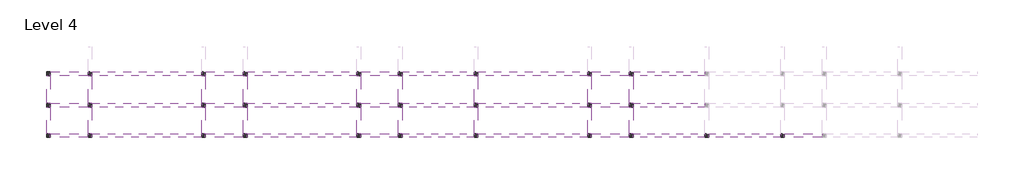
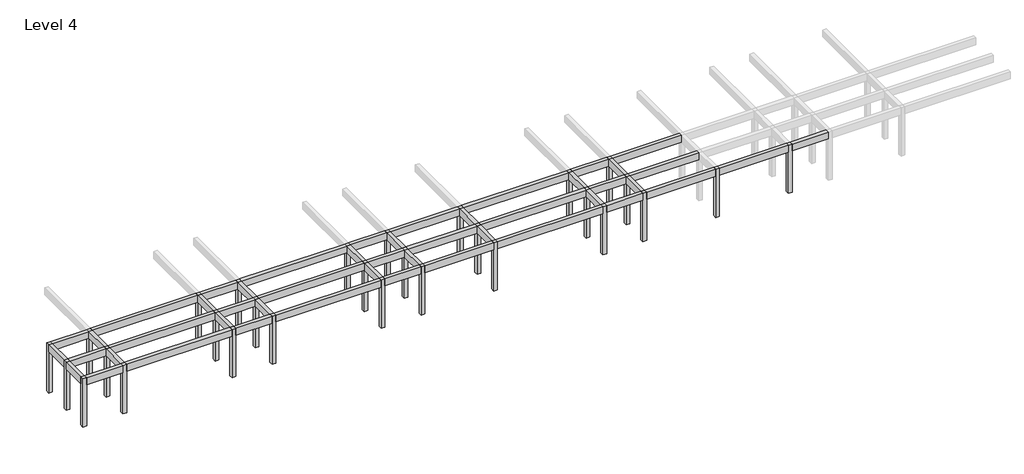
# One storey, part 1 of 3: 47 beams, 29 columns.
"""IFC4 building model written with IfcOpenShell, lengths in millimetres."""

from ifc_helpers import new_model, si_unit, frame, origin, place, context, project, spatial, polyline, outline, extrude, element, save

model = new_model("IFC4")

# Units and contexts
model_context = context("Model", 3, world=origin())
ifc_project = project(units=[si_unit("LENGTHUNIT", "METRE", prefix="MILLI")], contexts=[model_context])

# Site, building, storey
site = spatial("IfcSite", under=ifc_project)
building = spatial("IfcBuilding", under=site)
storey = spatial("IfcBuildingStorey", under=building, Name="Level 4", Elevation=12600.0)

# Beams
placement = place(None, origin())
element("IfcBeam", 1, ObjectType="M_Concrete-Rectangular Beam : 300 x 600mm", at=placement, inside=storey, context=model_context, shape_type="SweptSolid", body=[
    extrude(outline(polyline([(-20304.046467, -2925.7492337), (-20004.046467, -2925.7492337), (-20004.046467, -5025.7492337), (-20304.046467, -5025.7492337), (-20304.046467, -2925.7492337)])), frame((0.0, 0.0, 16200.0), z_axis=(0.0, 0.0, 1.0), x_axis=(1.0, 0.0, 0.0)), (0.0, 0.0, 1.0), 600.0),
])
element("IfcBeam", 2, ObjectType="M_Concrete-Rectangular Beam : 300 x 600mm", at=placement, inside=storey, context=model_context, shape_type="SweptSolid", body=[
    extrude(outline(polyline([(-20304.046467, -425.7492337), (-20004.046467, -425.7492337), (-20004.046467, -2625.7492337), (-20304.046467, -2625.7492337), (-20304.046467, -425.7492337)])), frame((0.0, 0.0, 16200.0), z_axis=(0.0, 0.0, 1.0), x_axis=(1.0, 0.0, 0.0)), (0.0, 0.0, 1.0), 600.0),
])
element("IfcBeam", 3, ObjectType="M_Concrete-Rectangular Beam : 300 x 600mm", at=placement, inside=storey, context=model_context, shape_type="SweptSolid", body=[
    extrude(outline(polyline([(-17004.046467, -2925.7492337), (-16704.046467, -2925.7492337), (-16704.046467, -5025.7492337), (-17004.046467, -5025.7492337), (-17004.046467, -2925.7492337)])), frame((0.0, 0.0, 16200.0), z_axis=(0.0, 0.0, 1.0), x_axis=(1.0, 0.0, 0.0)), (0.0, 0.0, 1.0), 600.0),
])
element("IfcBeam", 4, ObjectType="M_Concrete-Rectangular Beam : 300 x 600mm", at=placement, inside=storey, context=model_context, shape_type="SweptSolid", body=[
    extrude(outline(polyline([(-17004.046467, -425.7492337), (-16704.046467, -425.7492337), (-16704.046467, -2625.7492337), (-17004.046467, -2625.7492337), (-17004.046467, -425.7492337)])), frame((0.0, 0.0, 16200.0), z_axis=(0.0, 0.0, 1.0), x_axis=(1.0, 0.0, 0.0)), (0.0, 0.0, 1.0), 600.0),
])
element("IfcBeam", 5, ObjectType="M_Concrete-Rectangular Beam : 300 x 600mm", at=placement, inside=storey, context=model_context, shape_type="SweptSolid", body=[
    extrude(outline(polyline([(-8004.046467, -2925.7492337), (-7704.046467, -2925.7492337), (-7704.046467, -5025.7492337), (-8004.046467, -5025.7492337), (-8004.046467, -2925.7492337)])), frame((0.0, 0.0, 16200.0), z_axis=(0.0, 0.0, 1.0), x_axis=(1.0, 0.0, 0.0)), (0.0, 0.0, 1.0), 600.0),
])
element("IfcBeam", 6, ObjectType="M_Concrete-Rectangular Beam : 300 x 600mm", at=placement, inside=storey, context=model_context, shape_type="SweptSolid", body=[
    extrude(outline(polyline([(-8004.046467, -425.7492337), (-7704.046467, -425.7492337), (-7704.046467, -2625.7492337), (-8004.046467, -2625.7492337), (-8004.046467, -425.7492337)])), frame((0.0, 0.0, 16200.0), z_axis=(0.0, 0.0, 1.0), x_axis=(1.0, 0.0, 0.0)), (0.0, 0.0, 1.0), 600.0),
])
element("IfcBeam", 7, ObjectType="M_Concrete-Rectangular Beam : 300 x 600mm", at=placement, inside=storey, context=model_context, shape_type="SweptSolid", body=[
    extrude(outline(polyline([(-4704.046467, -2925.7492337), (-4404.046467, -2925.7492337), (-4404.046467, -5025.7492337), (-4704.046467, -5025.7492337), (-4704.046467, -2925.7492337)])), frame((0.0, 0.0, 16200.0), z_axis=(0.0, 0.0, 1.0), x_axis=(1.0, 0.0, 0.0)), (0.0, 0.0, 1.0), 600.0),
])
element("IfcBeam", 8, ObjectType="M_Concrete-Rectangular Beam : 300 x 600mm", at=placement, inside=storey, context=model_context, shape_type="SweptSolid", body=[
    extrude(outline(polyline([(-4704.046467, -425.7492337), (-4404.046467, -425.7492337), (-4404.046467, -2625.7492337), (-4704.046467, -2625.7492337), (-4704.046467, -425.7492337)])), frame((0.0, 0.0, 16200.0), z_axis=(0.0, 0.0, 1.0), x_axis=(1.0, 0.0, 0.0)), (0.0, 0.0, 1.0), 600.0),
])
element("IfcBeam", 9, ObjectType="M_Concrete-Rectangular Beam : 300 x 600mm", at=placement, inside=storey, context=model_context, shape_type="SweptSolid", body=[
    extrude(outline(polyline([(4295.953533, -2925.7492337), (4595.953533, -2925.7492337), (4595.953533, -5025.7492337), (4295.953533, -5025.7492337), (4295.953533, -2925.7492337)])), frame((0.0, 0.0, 16200.0), z_axis=(0.0, 0.0, 1.0), x_axis=(1.0, 0.0, 0.0)), (0.0, 0.0, 1.0), 600.0),
])
element("IfcBeam", 10, ObjectType="M_Concrete-Rectangular Beam : 300 x 600mm", at=placement, inside=storey, context=model_context, shape_type="SweptSolid", body=[
    extrude(outline(polyline([(4295.953533, -425.7492337), (4595.953533, -425.7492337), (4595.953533, -2625.7492337), (4295.953533, -2625.7492337), (4295.953533, -425.7492337)])), frame((0.0, 0.0, 16200.0), z_axis=(0.0, 0.0, 1.0), x_axis=(1.0, 0.0, 0.0)), (0.0, 0.0, 1.0), 600.0),
])
element("IfcBeam", 11, ObjectType="M_Concrete-Rectangular Beam : 300 x 600mm", at=placement, inside=storey, context=model_context, shape_type="SweptSolid", body=[
    extrude(outline(polyline([(7595.953533, -2925.7492337), (7895.953533, -2925.7492337), (7895.953533, -5025.7492337), (7595.953533, -5025.7492337), (7595.953533, -2925.7492337)])), frame((0.0, 0.0, 16200.0), z_axis=(0.0, 0.0, 1.0), x_axis=(1.0, 0.0, 0.0)), (0.0, 0.0, 1.0), 600.0),
])
element("IfcBeam", 12, ObjectType="M_Concrete-Rectangular Beam : 300 x 600mm", at=placement, inside=storey, context=model_context, shape_type="SweptSolid", body=[
    extrude(outline(polyline([(7595.953533, -425.7492337), (7895.953533, -425.7492337), (7895.953533, -2625.7492337), (7595.953533, -2625.7492337), (7595.953533, -425.7492337)])), frame((0.0, 0.0, 16200.0), z_axis=(0.0, 0.0, 1.0), x_axis=(1.0, 0.0, 0.0)), (0.0, 0.0, 1.0), 600.0),
])
element("IfcBeam", 13, ObjectType="M_Concrete-Rectangular Beam : 300 x 600mm", at=placement, inside=storey, context=model_context, shape_type="SweptSolid", body=[
    extrude(outline(polyline([(13595.953533, -2925.7492337), (13895.953533, -2925.7492337), (13895.953533, -5025.7492337), (13595.953533, -5025.7492337), (13595.953533, -2925.7492337)])), frame((0.0, 0.0, 16200.0), z_axis=(0.0, 0.0, 1.0), x_axis=(1.0, 0.0, 0.0)), (0.0, 0.0, 1.0), 600.0),
])
element("IfcBeam", 14, ObjectType="M_Concrete-Rectangular Beam : 300 x 600mm", at=placement, inside=storey, context=model_context, shape_type="SweptSolid", body=[
    extrude(outline(polyline([(13595.953533, -425.7492337), (13895.953533, -425.7492337), (13895.953533, -2625.7492337), (13595.953533, -2625.7492337), (13595.953533, -425.7492337)])), frame((0.0, 0.0, 16200.0), z_axis=(0.0, 0.0, 1.0), x_axis=(1.0, 0.0, 0.0)), (0.0, 0.0, 1.0), 600.0),
])
element("IfcBeam", 15, ObjectType="M_Concrete-Rectangular Beam : 300 x 600mm", at=placement, inside=storey, context=model_context, shape_type="SweptSolid", body=[
    extrude(outline(polyline([(25895.953533, -2925.7492337), (26195.953533, -2925.7492337), (26195.953533, -5025.7492337), (25895.953533, -5025.7492337), (25895.953533, -2925.7492337)])), frame((0.0, 0.0, 16200.0), z_axis=(0.0, 0.0, 1.0), x_axis=(1.0, 0.0, 0.0)), (0.0, 0.0, 1.0), 600.0),
])
element("IfcBeam", 16, ObjectType="M_Concrete-Rectangular Beam : 300 x 600mm", at=placement, inside=storey, context=model_context, shape_type="SweptSolid", body=[
    extrude(outline(polyline([(25895.953533, -425.7492337), (26195.953533, -425.7492337), (26195.953533, -2625.7492337), (25895.953533, -2625.7492337), (25895.953533, -425.7492337)])), frame((0.0, 0.0, 16200.0), z_axis=(0.0, 0.0, 1.0), x_axis=(1.0, 0.0, 0.0)), (0.0, 0.0, 1.0), 600.0),
])
element("IfcBeam", 17, ObjectType="M_Concrete-Rectangular Beam : 300 x 600mm", at=placement, inside=storey, context=model_context, shape_type="SweptSolid", body=[
    extrude(outline(polyline([(22595.953533, -2925.7492337), (22895.953533, -2925.7492337), (22895.953533, -5025.7492337), (22595.953533, -5025.7492337), (22595.953533, -2925.7492337)])), frame((0.0, 0.0, 16200.0), z_axis=(0.0, 0.0, 1.0), x_axis=(1.0, 0.0, 0.0)), (0.0, 0.0, 1.0), 600.0),
])
element("IfcBeam", 18, ObjectType="M_Concrete-Rectangular Beam : 300 x 600mm", at=placement, inside=storey, context=model_context, shape_type="SweptSolid", body=[
    extrude(outline(polyline([(22595.953533, -425.7492337), (22895.953533, -425.7492337), (22895.953533, -2625.7492337), (22595.953533, -2625.7492337), (22595.953533, -425.7492337)])), frame((0.0, 0.0, 16200.0), z_axis=(0.0, 0.0, 1.0), x_axis=(1.0, 0.0, 0.0)), (0.0, 0.0, 1.0), 600.0),
])
element("IfcBeam", 19, ObjectType="M_Concrete-Rectangular Beam : 300 x 600mm", at=placement, inside=storey, context=model_context, shape_type="SweptSolid", body=[
    extrude(outline(polyline([(-20004.046467, -425.7492337), (-20004.046467, -125.7492337), (-17004.046467, -125.7492337), (-17004.046467, -425.7492337), (-20004.046467, -425.7492337)])), frame((0.0, 0.0, 16200.0), z_axis=(0.0, 0.0, 1.0), x_axis=(1.0, 0.0, 0.0)), (0.0, 0.0, 1.0), 600.0),
])
element("IfcBeam", 20, ObjectType="M_Concrete-Rectangular Beam : 300 x 600mm", at=placement, inside=storey, context=model_context, shape_type="SweptSolid", body=[
    extrude(outline(polyline([(-16704.046467, -425.7492337), (-16704.046467, -125.7492337), (-8004.046467, -125.7492337), (-8004.046467, -425.7492337), (-16704.046467, -425.7492337)])), frame((0.0, 0.0, 16200.0), z_axis=(0.0, 0.0, 1.0), x_axis=(1.0, 0.0, 0.0)), (0.0, 0.0, 1.0), 600.0),
])
element("IfcBeam", 21, ObjectType="M_Concrete-Rectangular Beam : 300 x 600mm", at=placement, inside=storey, context=model_context, shape_type="SweptSolid", body=[
    extrude(outline(polyline([(-7704.046467, -425.7492337), (-7704.046467, -125.7492337), (-4704.046467, -125.7492337), (-4704.046467, -425.7492337), (-7704.046467, -425.7492337)])), frame((0.0, 0.0, 16200.0), z_axis=(0.0, 0.0, 1.0), x_axis=(1.0, 0.0, 0.0)), (0.0, 0.0, 1.0), 600.0),
])
element("IfcBeam", 22, ObjectType="M_Concrete-Rectangular Beam : 300 x 600mm", at=placement, inside=storey, context=model_context, shape_type="SweptSolid", body=[
    extrude(outline(polyline([(-4404.046467, -425.7492337), (-4404.046467, -125.7492337), (4295.953533, -125.7492337), (4295.953533, -425.7492337), (-4404.046467, -425.7492337)])), frame((0.0, 0.0, 16200.0), z_axis=(0.0, 0.0, 1.0), x_axis=(1.0, 0.0, 0.0)), (0.0, 0.0, 1.0), 600.0),
])
element("IfcBeam", 23, ObjectType="M_Concrete-Rectangular Beam : 300 x 600mm", at=placement, inside=storey, context=model_context, shape_type="SweptSolid", body=[
    extrude(outline(polyline([(4595.953533, -425.7492337), (4595.953533, -125.7492337), (7595.953533, -125.7492337), (7595.953533, -425.7492337), (4595.953533, -425.7492337)])), frame((0.0, 0.0, 16200.0), z_axis=(0.0, 0.0, 1.0), x_axis=(1.0, 0.0, 0.0)), (0.0, 0.0, 1.0), 600.0),
])
element("IfcBeam", 24, ObjectType="M_Concrete-Rectangular Beam : 300 x 600mm", at=placement, inside=storey, context=model_context, shape_type="SweptSolid", body=[
    extrude(outline(polyline([(7895.953533, -425.7492337), (7895.953533, -125.7492337), (13595.953533, -125.7492337), (13595.953533, -425.7492337), (7895.953533, -425.7492337)])), frame((0.0, 0.0, 16200.0), z_axis=(0.0, 0.0, 1.0), x_axis=(1.0, 0.0, 0.0)), (0.0, 0.0, 1.0), 600.0),
])
element("IfcBeam", 25, ObjectType="M_Concrete-Rectangular Beam : 300 x 600mm", at=placement, inside=storey, context=model_context, shape_type="SweptSolid", body=[
    extrude(outline(polyline([(13895.953533, -425.7492337), (13895.953533, -125.7492337), (22595.953533, -125.7492337), (22595.953533, -425.7492337), (13895.953533, -425.7492337)])), frame((0.0, 0.0, 16200.0), z_axis=(0.0, 0.0, 1.0), x_axis=(1.0, 0.0, 0.0)), (0.0, 0.0, 1.0), 600.0),
])
element("IfcBeam", 26, ObjectType="M_Concrete-Rectangular Beam : 300 x 600mm", at=placement, inside=storey, context=model_context, shape_type="SweptSolid", body=[
    extrude(outline(polyline([(25895.953533, -125.7492337), (25895.953533, -425.7492337), (22895.953533, -425.7492337), (22895.953533, -125.7492337), (25895.953533, -125.7492337)])), frame((0.0, 0.0, 16200.0), z_axis=(0.0, 0.0, 1.0), x_axis=(1.0, 0.0, 0.0)), (0.0, 0.0, 1.0), 600.0),
])
element("IfcBeam", 27, ObjectType="M_Concrete-Rectangular Beam : 300 x 600mm", at=placement, inside=storey, context=model_context, shape_type="SweptSolid", body=[
    extrude(outline(polyline([(26195.953533, -425.7492337), (26195.953533, -125.7492337), (31895.953533, -125.7492337), (31895.953533, -425.7492337), (26195.953533, -425.7492337)])), frame((0.0, 0.0, 16200.0), z_axis=(0.0, 0.0, 1.0), x_axis=(1.0, 0.0, 0.0)), (0.0, 0.0, 1.0), 600.0),
])
element("IfcBeam", 28, ObjectType="M_Concrete-Rectangular Beam : 300 x 600mm", at=placement, inside=storey, context=model_context, shape_type="SweptSolid", body=[
    extrude(outline(polyline([(-20004.046467, -2925.7492337), (-20004.046467, -2625.7492337), (-17004.046467, -2625.7492337), (-17004.046467, -2925.7492337), (-20004.046467, -2925.7492337)])), frame((0.0, 0.0, 16200.0), z_axis=(0.0, 0.0, 1.0), x_axis=(1.0, 0.0, 0.0)), (0.0, 0.0, 1.0), 600.0),
])
element("IfcBeam", 29, ObjectType="M_Concrete-Rectangular Beam : 300 x 600mm", at=placement, inside=storey, context=model_context, shape_type="SweptSolid", body=[
    extrude(outline(polyline([(-16704.046467, -2925.7492337), (-16704.046467, -2625.7492337), (-8004.046467, -2625.7492337), (-8004.046467, -2925.7492337), (-16704.046467, -2925.7492337)])), frame((0.0, 0.0, 16200.0), z_axis=(0.0, 0.0, 1.0), x_axis=(1.0, 0.0, 0.0)), (0.0, 0.0, 1.0), 600.0),
])
element("IfcBeam", 30, ObjectType="M_Concrete-Rectangular Beam : 300 x 600mm", at=placement, inside=storey, context=model_context, shape_type="SweptSolid", body=[
    extrude(outline(polyline([(-7704.046467, -2925.7492337), (-7704.046467, -2625.7492337), (-4704.046467, -2625.7492337), (-4704.046467, -2925.7492337), (-7704.046467, -2925.7492337)])), frame((0.0, 0.0, 16200.0), z_axis=(0.0, 0.0, 1.0), x_axis=(1.0, 0.0, 0.0)), (0.0, 0.0, 1.0), 600.0),
])
element("IfcBeam", 31, ObjectType="M_Concrete-Rectangular Beam : 300 x 600mm", at=placement, inside=storey, context=model_context, shape_type="SweptSolid", body=[
    extrude(outline(polyline([(-4404.046467, -2925.7492337), (-4404.046467, -2625.7492337), (4295.953533, -2625.7492337), (4295.953533, -2925.7492337), (-4404.046467, -2925.7492337)])), frame((0.0, 0.0, 16200.0), z_axis=(0.0, 0.0, 1.0), x_axis=(1.0, 0.0, 0.0)), (0.0, 0.0, 1.0), 600.0),
])
element("IfcBeam", 32, ObjectType="M_Concrete-Rectangular Beam : 300 x 600mm", at=placement, inside=storey, context=model_context, shape_type="SweptSolid", body=[
    extrude(outline(polyline([(4595.953533, -2925.7492337), (4595.953533, -2625.7492337), (7595.953533, -2625.7492337), (7595.953533, -2925.7492337), (4595.953533, -2925.7492337)])), frame((0.0, 0.0, 16200.0), z_axis=(0.0, 0.0, 1.0), x_axis=(1.0, 0.0, 0.0)), (0.0, 0.0, 1.0), 600.0),
])
element("IfcBeam", 33, ObjectType="M_Concrete-Rectangular Beam : 300 x 600mm", at=placement, inside=storey, context=model_context, shape_type="SweptSolid", body=[
    extrude(outline(polyline([(7895.953533, -2925.7492337), (7895.953533, -2625.7492337), (13595.953533, -2625.7492337), (13595.953533, -2925.7492337), (7895.953533, -2925.7492337)])), frame((0.0, 0.0, 16200.0), z_axis=(0.0, 0.0, 1.0), x_axis=(1.0, 0.0, 0.0)), (0.0, 0.0, 1.0), 600.0),
])
element("IfcBeam", 34, ObjectType="M_Concrete-Rectangular Beam : 300 x 600mm", at=placement, inside=storey, context=model_context, shape_type="SweptSolid", body=[
    extrude(outline(polyline([(13895.953533, -2925.7492337), (13895.953533, -2625.7492337), (22595.953533, -2625.7492337), (22595.953533, -2925.7492337), (13895.953533, -2925.7492337)])), frame((0.0, 0.0, 16200.0), z_axis=(0.0, 0.0, 1.0), x_axis=(1.0, 0.0, 0.0)), (0.0, 0.0, 1.0), 600.0),
])
element("IfcBeam", 35, ObjectType="M_Concrete-Rectangular Beam : 300 x 600mm", at=placement, inside=storey, context=model_context, shape_type="SweptSolid", body=[
    extrude(outline(polyline([(25895.953533, -2625.7492337), (25895.953533, -2925.7492337), (22895.953533, -2925.7492337), (22895.953533, -2625.7492337), (25895.953533, -2625.7492337)])), frame((0.0, 0.0, 16200.0), z_axis=(0.0, 0.0, 1.0), x_axis=(1.0, 0.0, 0.0)), (0.0, 0.0, 1.0), 600.0),
])
element("IfcBeam", 36, ObjectType="M_Concrete-Rectangular Beam : 300 x 600mm", at=placement, inside=storey, context=model_context, shape_type="SweptSolid", body=[
    extrude(outline(polyline([(26195.953533, -2925.7492337), (26195.953533, -2625.7492337), (31895.953533, -2625.7492337), (31895.953533, -2925.7492337), (26195.953533, -2925.7492337)])), frame((0.0, 0.0, 16200.0), z_axis=(0.0, 0.0, 1.0), x_axis=(1.0, 0.0, 0.0)), (0.0, 0.0, 1.0), 600.0),
])
element("IfcBeam", 37, ObjectType="M_Concrete-Rectangular Beam : 300 x 600mm", at=placement, inside=storey, context=model_context, shape_type="SweptSolid", body=[
    extrude(outline(polyline([(-20004.046467, -5325.7492337), (-20004.046467, -5025.7492337), (-17004.046467, -5025.7492337), (-17004.046467, -5325.7492337), (-20004.046467, -5325.7492337)])), frame((0.0, 0.0, 16200.0), z_axis=(0.0, 0.0, 1.0), x_axis=(1.0, 0.0, 0.0)), (0.0, 0.0, 1.0), 600.0),
])
element("IfcBeam", 38, ObjectType="M_Concrete-Rectangular Beam : 300 x 600mm", at=placement, inside=storey, context=model_context, shape_type="SweptSolid", body=[
    extrude(outline(polyline([(-16704.046467, -5325.7492337), (-16704.046467, -5025.7492337), (-8004.046467, -5025.7492337), (-8004.046467, -5325.7492337), (-16704.046467, -5325.7492337)])), frame((0.0, 0.0, 16200.0), z_axis=(0.0, 0.0, 1.0), x_axis=(1.0, 0.0, 0.0)), (0.0, 0.0, 1.0), 600.0),
])
element("IfcBeam", 39, ObjectType="M_Concrete-Rectangular Beam : 300 x 600mm", at=placement, inside=storey, context=model_context, shape_type="SweptSolid", body=[
    extrude(outline(polyline([(-7704.046467, -5325.7492337), (-7704.046467, -5025.7492337), (-4704.046467, -5025.7492337), (-4704.046467, -5325.7492337), (-7704.046467, -5325.7492337)])), frame((0.0, 0.0, 16200.0), z_axis=(0.0, 0.0, 1.0), x_axis=(1.0, 0.0, 0.0)), (0.0, 0.0, 1.0), 600.0),
])
element("IfcBeam", 40, ObjectType="M_Concrete-Rectangular Beam : 300 x 600mm", at=placement, inside=storey, context=model_context, shape_type="SweptSolid", body=[
    extrude(outline(polyline([(-4404.046467, -5325.7492337), (-4404.046467, -5025.7492337), (4295.953533, -5025.7492337), (4295.953533, -5325.7492337), (-4404.046467, -5325.7492337)])), frame((0.0, 0.0, 16200.0), z_axis=(0.0, 0.0, 1.0), x_axis=(1.0, 0.0, 0.0)), (0.0, 0.0, 1.0), 600.0),
])
element("IfcBeam", 41, ObjectType="M_Concrete-Rectangular Beam : 300 x 600mm", at=placement, inside=storey, context=model_context, shape_type="SweptSolid", body=[
    extrude(outline(polyline([(4595.953533, -5325.7492337), (4595.953533, -5025.7492337), (7595.953533, -5025.7492337), (7595.953533, -5325.7492337), (4595.953533, -5325.7492337)])), frame((0.0, 0.0, 16200.0), z_axis=(0.0, 0.0, 1.0), x_axis=(1.0, 0.0, 0.0)), (0.0, 0.0, 1.0), 600.0),
])
element("IfcBeam", 42, ObjectType="M_Concrete-Rectangular Beam : 300 x 600mm", at=placement, inside=storey, context=model_context, shape_type="SweptSolid", body=[
    extrude(outline(polyline([(7895.953533, -5325.7492337), (7895.953533, -5025.7492337), (13595.953533, -5025.7492337), (13595.953533, -5325.7492337), (7895.953533, -5325.7492337)])), frame((0.0, 0.0, 16200.0), z_axis=(0.0, 0.0, 1.0), x_axis=(1.0, 0.0, 0.0)), (0.0, 0.0, 1.0), 600.0),
])
element("IfcBeam", 43, ObjectType="M_Concrete-Rectangular Beam : 300 x 600mm", at=placement, inside=storey, context=model_context, shape_type="SweptSolid", body=[
    extrude(outline(polyline([(13895.953533, -5325.7492337), (13895.953533, -5025.7492337), (22595.953533, -5025.7492337), (22595.953533, -5325.7492337), (13895.953533, -5325.7492337)])), frame((0.0, 0.0, 16200.0), z_axis=(0.0, 0.0, 1.0), x_axis=(1.0, 0.0, 0.0)), (0.0, 0.0, 1.0), 600.0),
])
element("IfcBeam", 44, ObjectType="M_Concrete-Rectangular Beam : 300 x 600mm", at=placement, inside=storey, context=model_context, shape_type="SweptSolid", body=[
    extrude(outline(polyline([(25895.953533, -5025.7492337), (25895.953533, -5325.7492337), (22895.953533, -5325.7492337), (22895.953533, -5025.7492337), (25895.953533, -5025.7492337)])), frame((0.0, 0.0, 16200.0), z_axis=(0.0, 0.0, 1.0), x_axis=(1.0, 0.0, 0.0)), (0.0, 0.0, 1.0), 600.0),
])
element("IfcBeam", 45, ObjectType="M_Concrete-Rectangular Beam : 300 x 600mm", at=placement, inside=storey, context=model_context, shape_type="SweptSolid", body=[
    extrude(outline(polyline([(26195.953533, -5325.7492337), (26195.953533, -5025.7492337), (31895.953533, -5025.7492337), (31895.953533, -5325.7492337), (26195.953533, -5325.7492337)])), frame((0.0, 0.0, 16200.0), z_axis=(0.0, 0.0, 1.0), x_axis=(1.0, 0.0, 0.0)), (0.0, 0.0, 1.0), 600.0),
])
element("IfcBeam", 46, ObjectType="M_Concrete-Rectangular Beam : 300 x 600mm", at=placement, inside=storey, context=model_context, shape_type="SweptSolid", body=[
    extrude(outline(polyline([(32195.953533, -5325.7492337), (32195.953533, -5025.7492337), (37895.953533, -5025.7492337), (37895.953533, -5325.7492337), (32195.953533, -5325.7492337)])), frame((0.0, 0.0, 16200.0), z_axis=(0.0, 0.0, 1.0), x_axis=(1.0, 0.0, 0.0)), (0.0, 0.0, 1.0), 600.0),
])
element("IfcBeam", 47, ObjectType="M_Concrete-Rectangular Beam : 300 x 600mm", at=placement, inside=storey, context=model_context, shape_type="SweptSolid", body=[
    extrude(outline(polyline([(38195.953533, -5325.7492337), (38195.953533, -5025.7492337), (41195.953533, -5025.7492337), (41195.953533, -5325.7492337), (38195.953533, -5325.7492337)])), frame((0.0, 0.0, 16200.0), z_axis=(0.0, 0.0, 1.0), x_axis=(1.0, 0.0, 0.0)), (0.0, 0.0, 1.0), 600.0),
])

# Columns
element("IfcColumn", 48, ObjectType="M_Concrete-Square-Column : 300 x 300mm", at=placement, inside=storey, context=model_context, shape_type="SweptSolid", body=[
    extrude(outline(polyline([(-20004.046467, -125.7492337), (-20004.046467, -425.7492337), (-20304.046467, -425.7492337), (-20304.046467, -125.7492337), (-20004.046467, -125.7492337)])), frame((0.0, 0.0, 12600.0), z_axis=(0.0, 0.0, 1.0), x_axis=(1.0, 0.0, 0.0)), (0.0, 0.0, 1.0), 4200.0),
])
element("IfcColumn", 49, ObjectType="M_Concrete-Square-Column : 300 x 300mm", at=placement, inside=storey, context=model_context, shape_type="SweptSolid", body=[
    extrude(outline(polyline([(-20004.046467, -2625.7492337), (-20004.046467, -2925.7492337), (-20304.046467, -2925.7492337), (-20304.046467, -2625.7492337), (-20004.046467, -2625.7492337)])), frame((0.0, 0.0, 12600.0), z_axis=(0.0, 0.0, 1.0), x_axis=(1.0, 0.0, 0.0)), (0.0, 0.0, 1.0), 4200.0),
])
element("IfcColumn", 50, ObjectType="M_Concrete-Square-Column : 300 x 300mm", at=placement, inside=storey, context=model_context, shape_type="SweptSolid", body=[
    extrude(outline(polyline([(-20004.046467, -5025.7492337), (-20004.046467, -5325.7492337), (-20304.046467, -5325.7492337), (-20304.046467, -5025.7492337), (-20004.046467, -5025.7492337)])), frame((0.0, 0.0, 12600.0), z_axis=(0.0, 0.0, 1.0), x_axis=(1.0, 0.0, 0.0)), (0.0, 0.0, 1.0), 4200.0),
])
element("IfcColumn", 51, ObjectType="M_Concrete-Square-Column : 300 x 300mm", at=placement, inside=storey, context=model_context, shape_type="SweptSolid", body=[
    extrude(outline(polyline([(-16704.046467, -125.7492337), (-16704.046467, -425.7492337), (-17004.046467, -425.7492337), (-17004.046467, -125.7492337), (-16704.046467, -125.7492337)])), frame((0.0, 0.0, 12600.0), z_axis=(0.0, 0.0, 1.0), x_axis=(1.0, 0.0, 0.0)), (0.0, 0.0, 1.0), 4200.0),
])
element("IfcColumn", 52, ObjectType="M_Concrete-Square-Column : 300 x 300mm", at=placement, inside=storey, context=model_context, shape_type="SweptSolid", body=[
    extrude(outline(polyline([(-16704.046467, -2625.7492337), (-16704.046467, -2925.7492337), (-17004.046467, -2925.7492337), (-17004.046467, -2625.7492337), (-16704.046467, -2625.7492337)])), frame((0.0, 0.0, 12600.0), z_axis=(0.0, 0.0, 1.0), x_axis=(1.0, 0.0, 0.0)), (0.0, 0.0, 1.0), 4200.0),
])
element("IfcColumn", 53, ObjectType="M_Concrete-Square-Column : 300 x 300mm", at=placement, inside=storey, context=model_context, shape_type="SweptSolid", body=[
    extrude(outline(polyline([(-16704.046467, -5025.7492337), (-16704.046467, -5325.7492337), (-17004.046467, -5325.7492337), (-17004.046467, -5025.7492337), (-16704.046467, -5025.7492337)])), frame((0.0, 0.0, 12600.0), z_axis=(0.0, 0.0, 1.0), x_axis=(1.0, 0.0, 0.0)), (0.0, 0.0, 1.0), 4200.0),
])
element("IfcColumn", 54, ObjectType="M_Concrete-Square-Column : 300 x 300mm", at=placement, inside=storey, context=model_context, shape_type="SweptSolid", body=[
    extrude(outline(polyline([(-7704.046467, -125.7492337), (-7704.046467, -425.7492337), (-8004.046467, -425.7492337), (-8004.046467, -125.7492337), (-7704.046467, -125.7492337)])), frame((0.0, 0.0, 12600.0), z_axis=(0.0, 0.0, 1.0), x_axis=(1.0, 0.0, 0.0)), (0.0, 0.0, 1.0), 4200.0),
])
element("IfcColumn", 55, ObjectType="M_Concrete-Square-Column : 300 x 300mm", at=placement, inside=storey, context=model_context, shape_type="SweptSolid", body=[
    extrude(outline(polyline([(-7704.046467, -2625.7492337), (-7704.046467, -2925.7492337), (-8004.046467, -2925.7492337), (-8004.046467, -2625.7492337), (-7704.046467, -2625.7492337)])), frame((0.0, 0.0, 12600.0), z_axis=(0.0, 0.0, 1.0), x_axis=(1.0, 0.0, 0.0)), (0.0, 0.0, 1.0), 4200.0),
])
element("IfcColumn", 56, ObjectType="M_Concrete-Square-Column : 300 x 300mm", at=placement, inside=storey, context=model_context, shape_type="SweptSolid", body=[
    extrude(outline(polyline([(-7704.046467, -5025.7492337), (-7704.046467, -5325.7492337), (-8004.046467, -5325.7492337), (-8004.046467, -5025.7492337), (-7704.046467, -5025.7492337)])), frame((0.0, 0.0, 12600.0), z_axis=(0.0, 0.0, 1.0), x_axis=(1.0, 0.0, 0.0)), (0.0, 0.0, 1.0), 4200.0),
])
element("IfcColumn", 57, ObjectType="M_Concrete-Square-Column : 300 x 300mm", at=placement, inside=storey, context=model_context, shape_type="SweptSolid", body=[
    extrude(outline(polyline([(-4404.046467, -125.7492337), (-4404.046467, -425.7492337), (-4704.046467, -425.7492337), (-4704.046467, -125.7492337), (-4404.046467, -125.7492337)])), frame((0.0, 0.0, 12600.0), z_axis=(0.0, 0.0, 1.0), x_axis=(1.0, 0.0, 0.0)), (0.0, 0.0, 1.0), 4200.0),
])
element("IfcColumn", 58, ObjectType="M_Concrete-Square-Column : 300 x 300mm", at=placement, inside=storey, context=model_context, shape_type="SweptSolid", body=[
    extrude(outline(polyline([(-4404.046467, -2625.7492337), (-4404.046467, -2925.7492337), (-4704.046467, -2925.7492337), (-4704.046467, -2625.7492337), (-4404.046467, -2625.7492337)])), frame((0.0, 0.0, 12600.0), z_axis=(0.0, 0.0, 1.0), x_axis=(1.0, 0.0, 0.0)), (0.0, 0.0, 1.0), 4200.0),
])
element("IfcColumn", 59, ObjectType="M_Concrete-Square-Column : 300 x 300mm", at=placement, inside=storey, context=model_context, shape_type="SweptSolid", body=[
    extrude(outline(polyline([(-4404.046467, -5025.7492337), (-4404.046467, -5325.7492337), (-4704.046467, -5325.7492337), (-4704.046467, -5025.7492337), (-4404.046467, -5025.7492337)])), frame((0.0, 0.0, 12600.0), z_axis=(0.0, 0.0, 1.0), x_axis=(1.0, 0.0, 0.0)), (0.0, 0.0, 1.0), 4200.0),
])
element("IfcColumn", 60, ObjectType="M_Concrete-Square-Column : 300 x 300mm", at=placement, inside=storey, context=model_context, shape_type="SweptSolid", body=[
    extrude(outline(polyline([(4595.953533, -125.7492337), (4595.953533, -425.7492337), (4295.953533, -425.7492337), (4295.953533, -125.7492337), (4595.953533, -125.7492337)])), frame((0.0, 0.0, 12600.0), z_axis=(0.0, 0.0, 1.0), x_axis=(1.0, 0.0, 0.0)), (0.0, 0.0, 1.0), 4200.0),
])
element("IfcColumn", 61, ObjectType="M_Concrete-Square-Column : 300 x 300mm", at=placement, inside=storey, context=model_context, shape_type="SweptSolid", body=[
    extrude(outline(polyline([(4595.953533, -2625.7492337), (4595.953533, -2925.7492337), (4295.953533, -2925.7492337), (4295.953533, -2625.7492337), (4595.953533, -2625.7492337)])), frame((0.0, 0.0, 12600.0), z_axis=(0.0, 0.0, 1.0), x_axis=(1.0, 0.0, 0.0)), (0.0, 0.0, 1.0), 4200.0),
])
element("IfcColumn", 62, ObjectType="M_Concrete-Square-Column : 300 x 300mm", at=placement, inside=storey, context=model_context, shape_type="SweptSolid", body=[
    extrude(outline(polyline([(4595.953533, -5025.7492337), (4595.953533, -5325.7492337), (4295.953533, -5325.7492337), (4295.953533, -5025.7492337), (4595.953533, -5025.7492337)])), frame((0.0, 0.0, 12600.0), z_axis=(0.0, 0.0, 1.0), x_axis=(1.0, 0.0, 0.0)), (0.0, 0.0, 1.0), 4200.0),
])
element("IfcColumn", 63, ObjectType="M_Concrete-Square-Column : 300 x 300mm", at=placement, inside=storey, context=model_context, shape_type="SweptSolid", body=[
    extrude(outline(polyline([(7895.953533, -125.7492337), (7895.953533, -425.7492337), (7595.953533, -425.7492337), (7595.953533, -125.7492337), (7895.953533, -125.7492337)])), frame((0.0, 0.0, 12600.0), z_axis=(0.0, 0.0, 1.0), x_axis=(1.0, 0.0, 0.0)), (0.0, 0.0, 1.0), 4200.0),
])
element("IfcColumn", 64, ObjectType="M_Concrete-Square-Column : 300 x 300mm", at=placement, inside=storey, context=model_context, shape_type="SweptSolid", body=[
    extrude(outline(polyline([(7895.953533, -2625.7492337), (7895.953533, -2925.7492337), (7595.953533, -2925.7492337), (7595.953533, -2625.7492337), (7895.953533, -2625.7492337)])), frame((0.0, 0.0, 12600.0), z_axis=(0.0, 0.0, 1.0), x_axis=(1.0, 0.0, 0.0)), (0.0, 0.0, 1.0), 4200.0),
])
element("IfcColumn", 65, ObjectType="M_Concrete-Square-Column : 300 x 300mm", at=placement, inside=storey, context=model_context, shape_type="SweptSolid", body=[
    extrude(outline(polyline([(7895.953533, -5025.7492337), (7895.953533, -5325.7492337), (7595.953533, -5325.7492337), (7595.953533, -5025.7492337), (7895.953533, -5025.7492337)])), frame((0.0, 0.0, 12600.0), z_axis=(0.0, 0.0, 1.0), x_axis=(1.0, 0.0, 0.0)), (0.0, 0.0, 1.0), 4200.0),
])
element("IfcColumn", 66, ObjectType="M_Concrete-Square-Column : 300 x 300mm", at=placement, inside=storey, context=model_context, shape_type="SweptSolid", body=[
    extrude(outline(polyline([(13895.953533, -125.7492337), (13895.953533, -425.7492337), (13595.953533, -425.7492337), (13595.953533, -125.7492337), (13895.953533, -125.7492337)])), frame((0.0, 0.0, 12600.0), z_axis=(0.0, 0.0, 1.0), x_axis=(1.0, 0.0, 0.0)), (0.0, 0.0, 1.0), 4200.0),
])
element("IfcColumn", 67, ObjectType="M_Concrete-Square-Column : 300 x 300mm", at=placement, inside=storey, context=model_context, shape_type="SweptSolid", body=[
    extrude(outline(polyline([(13895.953533, -2625.7492337), (13895.953533, -2925.7492337), (13595.953533, -2925.7492337), (13595.953533, -2625.7492337), (13895.953533, -2625.7492337)])), frame((0.0, 0.0, 12600.0), z_axis=(0.0, 0.0, 1.0), x_axis=(1.0, 0.0, 0.0)), (0.0, 0.0, 1.0), 4200.0),
])
element("IfcColumn", 68, ObjectType="M_Concrete-Square-Column : 300 x 300mm", at=placement, inside=storey, context=model_context, shape_type="SweptSolid", body=[
    extrude(outline(polyline([(13895.953533, -5025.7492337), (13895.953533, -5325.7492337), (13595.953533, -5325.7492337), (13595.953533, -5025.7492337), (13895.953533, -5025.7492337)])), frame((0.0, 0.0, 12600.0), z_axis=(0.0, 0.0, 1.0), x_axis=(1.0, 0.0, 0.0)), (0.0, 0.0, 1.0), 4200.0),
])
element("IfcColumn", 69, ObjectType="M_Concrete-Square-Column : 300 x 300mm", at=placement, inside=storey, context=model_context, shape_type="SweptSolid", body=[
    extrude(outline(polyline([(26195.953533, -125.7492337), (26195.953533, -425.7492337), (25895.953533, -425.7492337), (25895.953533, -125.7492337), (26195.953533, -125.7492337)])), frame((0.0, 0.0, 12600.0), z_axis=(0.0, 0.0, 1.0), x_axis=(1.0, 0.0, 0.0)), (0.0, 0.0, 1.0), 4200.0),
])
element("IfcColumn", 70, ObjectType="M_Concrete-Square-Column : 300 x 300mm", at=placement, inside=storey, context=model_context, shape_type="SweptSolid", body=[
    extrude(outline(polyline([(26195.953533, -2625.7492337), (26195.953533, -2925.7492337), (25895.953533, -2925.7492337), (25895.953533, -2625.7492337), (26195.953533, -2625.7492337)])), frame((0.0, 0.0, 12600.0), z_axis=(0.0, 0.0, 1.0), x_axis=(1.0, 0.0, 0.0)), (0.0, 0.0, 1.0), 4200.0),
])
element("IfcColumn", 71, ObjectType="M_Concrete-Square-Column : 300 x 300mm", at=placement, inside=storey, context=model_context, shape_type="SweptSolid", body=[
    extrude(outline(polyline([(26195.953533, -5025.7492337), (26195.953533, -5325.7492337), (25895.953533, -5325.7492337), (25895.953533, -5025.7492337), (26195.953533, -5025.7492337)])), frame((0.0, 0.0, 12600.0), z_axis=(0.0, 0.0, 1.0), x_axis=(1.0, 0.0, 0.0)), (0.0, 0.0, 1.0), 4200.0),
])
element("IfcColumn", 72, ObjectType="M_Concrete-Square-Column : 300 x 300mm", at=placement, inside=storey, context=model_context, shape_type="SweptSolid", body=[
    extrude(outline(polyline([(22895.953533, -125.7492337), (22895.953533, -425.7492337), (22595.953533, -425.7492337), (22595.953533, -125.7492337), (22895.953533, -125.7492337)])), frame((0.0, 0.0, 12600.0), z_axis=(0.0, 0.0, 1.0), x_axis=(1.0, 0.0, 0.0)), (0.0, 0.0, 1.0), 4200.0),
])
element("IfcColumn", 73, ObjectType="M_Concrete-Square-Column : 300 x 300mm", at=placement, inside=storey, context=model_context, shape_type="SweptSolid", body=[
    extrude(outline(polyline([(22895.953533, -2625.7492337), (22895.953533, -2925.7492337), (22595.953533, -2925.7492337), (22595.953533, -2625.7492337), (22895.953533, -2625.7492337)])), frame((0.0, 0.0, 12600.0), z_axis=(0.0, 0.0, 1.0), x_axis=(1.0, 0.0, 0.0)), (0.0, 0.0, 1.0), 4200.0),
])
element("IfcColumn", 74, ObjectType="M_Concrete-Square-Column : 300 x 300mm", at=placement, inside=storey, context=model_context, shape_type="SweptSolid", body=[
    extrude(outline(polyline([(22895.953533, -5025.7492337), (22895.953533, -5325.7492337), (22595.953533, -5325.7492337), (22595.953533, -5025.7492337), (22895.953533, -5025.7492337)])), frame((0.0, 0.0, 12600.0), z_axis=(0.0, 0.0, 1.0), x_axis=(1.0, 0.0, 0.0)), (0.0, 0.0, 1.0), 4200.0),
])
element("IfcColumn", 75, ObjectType="M_Concrete-Square-Column : 300 x 300mm", at=placement, inside=storey, context=model_context, shape_type="SweptSolid", body=[
    extrude(outline(polyline([(32195.953533, -5025.7492337), (32195.953533, -5325.7492337), (31895.953533, -5325.7492337), (31895.953533, -5025.7492337), (32195.953533, -5025.7492337)])), frame((0.0, 0.0, 12600.0), z_axis=(0.0, 0.0, 1.0), x_axis=(1.0, 0.0, 0.0)), (0.0, 0.0, 1.0), 4200.0),
])
element("IfcColumn", 76, ObjectType="M_Concrete-Square-Column : 300 x 300mm", at=placement, inside=storey, context=model_context, shape_type="SweptSolid", body=[
    extrude(outline(polyline([(38195.953533, -5025.7492337), (38195.953533, -5325.7492337), (37895.953533, -5325.7492337), (37895.953533, -5025.7492337), (38195.953533, -5025.7492337)])), frame((0.0, 0.0, 12600.0), z_axis=(0.0, 0.0, 1.0), x_axis=(1.0, 0.0, 0.0)), (0.0, 0.0, 1.0), 4200.0),
])

save(model, "model.ifc")
